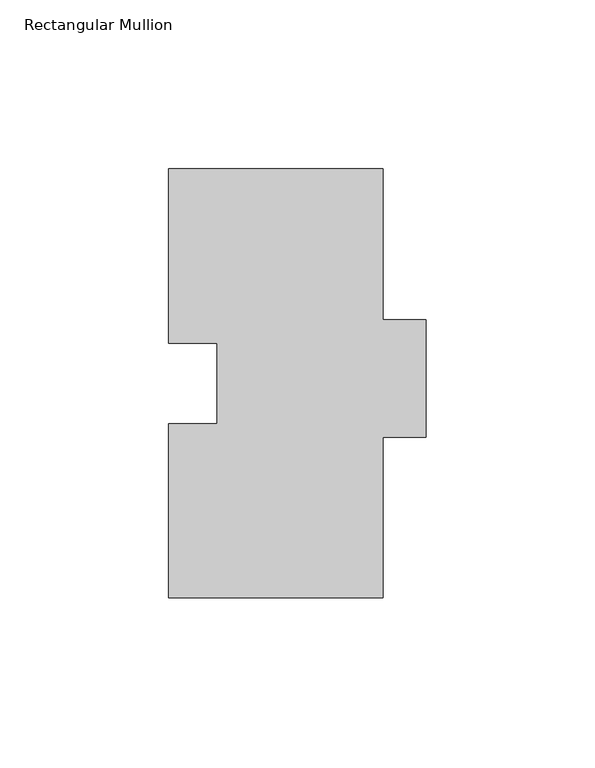
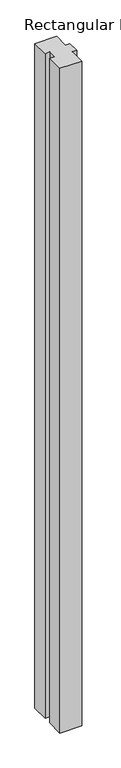
"""IFC4 building model written with IfcOpenShell, lengths in millimetres: member geometry, Rectangular Mullion."""

import ifcopenshell
import ifcopenshell.guid

model = None  # the IFC model being written
_history = None  # IfcOwnerHistory: only IFC2X3 demands one
_inside = {}  # id of a spatial element -> (the spatial element, [elements in it])
_under = {}  # id of a project, library or spatial element -> (it, [spatial elements below it])
_declared = {}  # id of a project -> (the project, [libraries it declares])
_typed = {}  # id of a type object -> (the type object, [elements of that type])
_made_of = {}  # id of a material, layer set ... -> (it, [elements and type objects made of it])


def new_model(schema):
    """Start an empty IFC model of exactly this schema.

    Asked for "IFC4X3", IfcOpenShell would pick the latest addendum, in which some entities
    have other attributes; the version numbers below select the first issue.
    IFC2X3 requires an IfcOwnerHistory on every rooted entity: one is made here for all.
    """
    global model, _history
    if schema == "IFC4X3":
        model = ifcopenshell.file(schema_version=(4, 3, 0, 0))
    else:
        model = ifcopenshell.file(schema=schema)
    _inside.clear()
    _under.clear()
    _declared.clear()
    _typed.clear()
    _made_of.clear()
    _history = None
    if model.schema == "IFC2X3":
        org = make("IfcOrganization", Name="unknown")
        user = make(
            "IfcPersonAndOrganization",
            ThePerson=make("IfcPerson", FamilyName="unknown"),
            TheOrganization=org,
        )
        app = make(
            "IfcApplication",
            ApplicationDeveloper=org,
            Version="unknown",
            ApplicationFullName="unknown",
            ApplicationIdentifier="unknown",
        )
        _history = make(
            "IfcOwnerHistory",
            OwningUser=user,
            OwningApplication=app,
            ChangeAction="ADDED",
            CreationDate=0,
        )
    return model


def make(cls, **values):
    """One entity of the class cls with the attributes given. An attribute that is None is left unset."""
    return model.create_entity(
        cls, **{name: value for name, value in values.items() if value is not None}
    )


def rooted(cls, **values):
    """An entity with a GlobalId (a new one), such as an element, a storey or a relation."""
    return make(cls, GlobalId=ifcopenshell.guid.new(), OwnerHistory=_history, **values)


def si_unit(unit_type, name, prefix=None):
    """IfcSIUnit, for example si_unit("LENGTHUNIT", "METRE", prefix="MILLI")."""
    return make("IfcSIUnit", UnitType=unit_type, Prefix=prefix, Name=name)


def assignment(units):
    """IfcUnitAssignment: the units of a project."""
    return None if units is None else make("IfcUnitAssignment", Units=units)


def point(xyz):
    """IfcCartesianPoint."""
    return None if xyz is None else make("IfcCartesianPoint", Coordinates=xyz)


def direction(xyz):
    """IfcDirection."""
    return None if xyz is None else make("IfcDirection", DirectionRatios=xyz)


def frame(location, z_axis=None, x_axis=None):
    """IfcAxis2Placement3D, a coordinate frame: its origin and axes. An axis left out is left unset."""
    return make(
        "IfcAxis2Placement3D",
        Location=point(location),
        Axis=direction(z_axis),
        RefDirection=direction(x_axis),
    )


def origin():
    """The frame at (0, 0, 0) with its axes left unset."""
    return frame((0.0, 0.0, 0.0))


def place(relative_to, where):
    """IfcLocalPlacement: puts the frame where relative to a parent placement (None: the world)."""
    return make(
        "IfcLocalPlacement", PlacementRelTo=relative_to, RelativePlacement=where
    )


def context(
    kind, dimensions, precision=None, world=None, true_north=None, identifier=None
):
    """IfcGeometricRepresentationContext, for example the 3D "Model" context."""
    return make(
        "IfcGeometricRepresentationContext",
        ContextIdentifier=identifier,
        ContextType=kind,
        CoordinateSpaceDimension=dimensions,
        Precision=precision,
        WorldCoordinateSystem=world,
        TrueNorth=true_north,
    )


def project(units=None, contexts=None):
    """IfcProject with its units and contexts."""
    return rooted(
        "IfcProject",
        Name="project",
        RepresentationContexts=contexts,
        UnitsInContext=assignment(units),
    )


def spatial(cls, under=None, at=None, **own):
    """A site, building, storey or space (cls), placed at a placement, below another one or the project."""
    s = rooted(cls, ObjectPlacement=at, **own)
    if under is not None:
        _under.setdefault(under.id(), (under, []))[1].append(s)
    return s


def polyline(points):
    """IfcPolyline through the points."""
    return make("IfcPolyline", Points=[point(p) for p in points])


def outline(outer, holes=None, kind="AREA"):
    """IfcArbitraryClosedProfileDef: a profile drawn as a closed curve; with holes, ...WithVoids."""
    if holes is None:
        return make("IfcArbitraryClosedProfileDef", ProfileType=kind, OuterCurve=outer)
    return make(
        "IfcArbitraryProfileDefWithVoids",
        ProfileType=kind,
        OuterCurve=outer,
        InnerCurves=holes,
    )


def extrude(swept, where, along, depth):
    """IfcExtrudedAreaSolid: the profile swept, set in the frame where, extruded along a direction by depth."""
    return make(
        "IfcExtrudedAreaSolid",
        SweptArea=swept,
        Position=where,
        ExtrudedDirection=direction(along),
        Depth=depth,
    )


def shape(context_of_items, identifier, shape_type, items):
    """IfcShapeRepresentation: the items that make up one representation, for example the "Body"."""
    return make(
        "IfcShapeRepresentation",
        ContextOfItems=context_of_items,
        RepresentationIdentifier=identifier,
        RepresentationType=shape_type,
        Items=items,
    )


def source(mapping_origin, context_of_items, identifier, shape_type, items):
    """IfcRepresentationMap: a shape defined once, which mapped items show again and again."""
    return make(
        "IfcRepresentationMap",
        MappingOrigin=mapping_origin,
        MappedRepresentation=shape(context_of_items, identifier, shape_type, items),
    )


def transform(
    local_origin,
    x_axis=None,
    y_axis=None,
    z_axis=None,
    scale=None,
    scale2=None,
    scale3=None,
    uniform=True,
):
    """IfcCartesianTransformationOperator3D, or its non-uniform kind. x_axis, y_axis, z_axis: its Axis1, 2, 3."""
    if uniform:
        return make(
            "IfcCartesianTransformationOperator3D",
            Axis1=direction(x_axis),
            Axis2=direction(y_axis),
            LocalOrigin=point(local_origin),
            Scale=scale,
            Axis3=direction(z_axis),
        )
    return make(
        "IfcCartesianTransformationOperator3DnonUniform",
        Axis1=direction(x_axis),
        Axis2=direction(y_axis),
        LocalOrigin=point(local_origin),
        Scale=scale,
        Axis3=direction(z_axis),
        Scale2=scale2,
        Scale3=scale3,
    )


def mapped(mapping_source, mapping_target):
    """IfcMappedItem: shows the shape of a source again, moved by a transform."""
    return make(
        "IfcMappedItem", MappingSource=mapping_source, MappingTarget=mapping_target
    )


def made_of(thing, what):
    """Note that an element or type object is made of a material, layer set ...; save() writes the relation."""
    if what is not None:
        _made_of.setdefault(what.id(), (what, []))[1].append(thing)
    return thing


def element(
    cls,
    number,
    at=None,
    inside=None,
    cuts=None,
    type_object=None,
    material=None,
    context=None,
    identifier="Body",
    shape_type=None,
    held_by="IfcProductDefinitionShape",
    body=None,
    shapes=None,
    **own,
):
    """One element of the class cls, such as IfcWall. Its Tag is "e" and its number.

    at: its placement. inside: the storey or other place that contains it. cuts: it is an
    opening in that element (IfcRelVoidsElement). A single representation is given by context,
    identifier, shape_type and body (its items); several are given by shapes. held_by: the class
    of the entity that holds the representations. save() writes the other relations.
    """
    e = rooted(cls, Tag="e%d" % number, ObjectPlacement=at, **own)
    if body is not None:
        shapes = [shape(context, identifier, shape_type, body)]
    if shapes is not None:
        e.Representation = make(held_by, Representations=shapes)
    if inside is not None:
        _inside.setdefault(inside.id(), (inside, []))[1].append(e)
    if cuts is not None:
        rooted(
            "IfcRelVoidsElement", RelatingBuildingElement=cuts, RelatedOpeningElement=e
        )
    if type_object is not None:
        _typed.setdefault(type_object.id(), (type_object, []))[1].append(e)
    return made_of(e, material)


def aggregate(whole, parts):
    """IfcRelAggregates: a whole, such as a stair, and the parts it consists of."""
    return rooted("IfcRelAggregates", RelatingObject=whole, RelatedObjects=parts)


def save(model, path):
    """Write the relations noted so far, then the file.

    IfcRelAggregates (storeys below a building ...), IfcRelContainedInSpatialStructure (elements
    in a storey), IfcRelDefinesByType, IfcRelAssociatesMaterial and IfcRelDeclares: one each for
    every whole, place, type object, material and project.
    """
    for whole, parts in _under.values():
        aggregate(whole, parts)
    for where, things in _inside.values():
        rooted(
            "IfcRelContainedInSpatialStructure",
            RelatedElements=things,
            RelatingStructure=where,
        )
    for kind, things in _typed.values():
        rooted("IfcRelDefinesByType", RelatedObjects=things, RelatingType=kind)
    for what, things in _made_of.values():
        rooted("IfcRelAssociatesMaterial", RelatedObjects=things, RelatingMaterial=what)
    for by, libraries in _declared.values():
        rooted("IfcRelDeclares", RelatingContext=by, RelatedDefinitions=libraries)
    model.write(path)


def rectangular_mullion_5aeda6a7(model_context):
    return source(origin(), model_context, "Body", "SweptSolid", [
        extrude(outline(polyline([(-31.75, 126.9563438), (31.75, 126.9563438), (31.75, 82.2523438), (44.45, 82.2523438), (44.45, 47.5813437), (31.75, 47.5813437), (31.75, -0.0436562), (-31.75, -0.0436562), (-31.75, 51.5564438), (-17.4498, 51.5564438), (-17.4498, 75.3562438), (-31.75, 75.3562438), (-31.75, 126.9563438)])), frame((0.0, 0.0, -2060.575), z_axis=(0.0, 0.0, 1.0), x_axis=(1.0, 0.0, 0.0)), (0.0, 0.0, 1.0), 2060.575),
    ])


if __name__ == "__main__":
    model = new_model("IFC4")
    model_context = context("Model", 3, world=origin())
    ifc_project = project(units=[si_unit("LENGTHUNIT", "METRE", prefix="MILLI")], contexts=[model_context])
    site = spatial("IfcSite", under=ifc_project)
    building = spatial("IfcBuilding", under=site)
    placement = place(None, origin())
    rectangular_mullion_shape = rectangular_mullion_5aeda6a7(model_context)
    element("IfcMember", 1, ObjectType="Rectangular Mullion", at=placement, inside=building, context=model_context, shape_type="MappedRepresentation", body=[
        mapped(rectangular_mullion_shape, transform((0.0, 0.0, 0.0), x_axis=(1.0, 0.0, 0.0), y_axis=(0.0, 1.0, 0.0), z_axis=(0.0, 0.0, 1.0))),
    ])
    save(model, "model.ifc")
